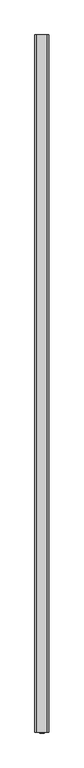
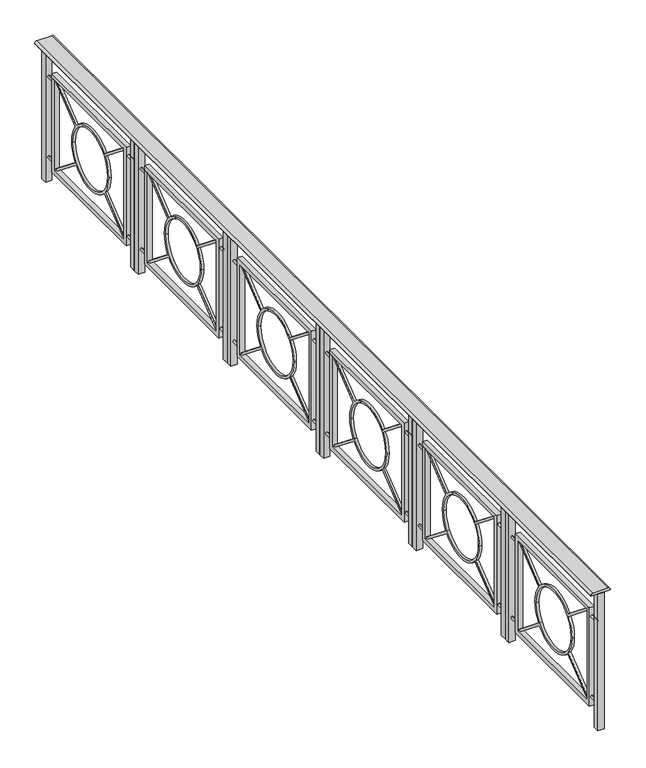
"""IFC4 building model written with IfcOpenShell, lengths in millimetres: railing geometry."""

from ifc_helpers import new_model, si_unit, point, frame, frame_2d, origin, origin_with_axes, place, context, project, spatial, polyline, circle_curve, trimmed, segment, composite_curve, outline, extrude, source, transform, mapped, element, save


def railing_e03428b7(model_context):
    return source(origin(), model_context, "Body", "SweptSolid", [
        extrude(outline(composite_curve([segment(trimmed(circle_curve(frame_2d((903.0, -8226.5763381)), 12.0), [point((915.0, -8226.5763381))], [point((903.0, -8238.5763381))], False, "CARTESIAN"), True, "CONTINUOUS"), segment(polyline([(903.0, -8238.5763381), (899.8828423, -8238.5763381), (899.8828423, -8118.5763381), (903.0, -8118.5763381)]), True, "CONTINUOUS"), segment(trimmed(circle_curve(frame_2d((903.0, -8130.5763381)), 12.0), [point((903.0, -8118.5763381))], [point((915.0, -8130.5763381))], False, "CARTESIAN"), True, "CONTINUOUS"), segment(polyline([(915.0, -8130.5763381), (915.0, -8226.5763381)]), True, "CONTINUOUS")], self_intersect=False)), frame((0.0, -25768.5136765, 0.0), z_axis=(0.0, 1.0, 0.0), x_axis=(0.0, 0.0, 1.0)), (0.0, 0.0, 1.0), 6000.0),
        extrude(outline(composite_curve([segment(trimmed(circle_curve(frame_2d((160.0, -8178.5763381)), 7.5), [point((152.5, -8178.5763381))], [point((167.5, -8178.5763381))], False, "CARTESIAN"), True, "CONTINUOUS"), segment(trimmed(circle_curve(frame_2d((160.0, -8178.5763381)), 7.5), [point((167.5, -8178.5763381))], [point((152.5, -8178.5763381))], False, "CARTESIAN"), True, "CONTINUOUS")], self_intersect=False)), frame((0.0, -19873.5136765, 0.0), z_axis=(0.0, 1.0, 0.0), x_axis=(0.0, 0.0, 1.0)), (0.0, 0.0, 1.0), 60.0),
        extrude(outline(composite_curve([segment(trimmed(circle_curve(frame_2d((160.0, -8178.5763381)), 7.5), [point((152.5, -8178.5763381))], [point((167.5, -8178.5763381))], False, "CARTESIAN"), True, "CONTINUOUS"), segment(trimmed(circle_curve(frame_2d((160.0, -8178.5763381)), 7.5), [point((167.5, -8178.5763381))], [point((152.5, -8178.5763381))], False, "CARTESIAN"), True, "CONTINUOUS")], self_intersect=False)), frame((0.0, -20733.5136765, 0.0), z_axis=(0.0, 1.0, 0.0), x_axis=(0.0, 0.0, 1.0)), (0.0, 0.0, 1.0), 60.0),
        extrude(outline(composite_curve([segment(trimmed(circle_curve(frame_2d((690.0, -8178.5763381)), 7.5), [point((697.5, -8178.5763381))], [point((682.5, -8178.5763381))], False, "CARTESIAN"), True, "CONTINUOUS"), segment(trimmed(circle_curve(frame_2d((690.0, -8178.5763381)), 7.5), [point((682.5, -8178.5763381))], [point((697.5, -8178.5763381))], False, "CARTESIAN"), True, "CONTINUOUS")], self_intersect=False)), frame((0.0, -19873.5136765, 0.0), z_axis=(0.0, 1.0, 0.0), x_axis=(0.0, 0.0, 1.0)), (0.0, 0.0, 1.0), 60.0),
        extrude(outline(composite_curve([segment(trimmed(circle_curve(frame_2d((690.0, -8178.5763381)), 7.5), [point((697.5, -8178.5763381))], [point((682.5, -8178.5763381))], False, "CARTESIAN"), True, "CONTINUOUS"), segment(trimmed(circle_curve(frame_2d((690.0, -8178.5763381)), 7.5), [point((682.5, -8178.5763381))], [point((697.5, -8178.5763381))], False, "CARTESIAN"), True, "CONTINUOUS")], self_intersect=False)), frame((0.0, -20733.5136765, 0.0), z_axis=(0.0, 1.0, 0.0), x_axis=(0.0, 0.0, 1.0)), (0.0, 0.0, 1.0), 60.0),
        extrude(outline(composite_curve([segment(trimmed(circle_curve(frame_2d((-20273.5136765, 425.0)), 200.0), [point((-20425.10786, 555.4576695))], [point((-20121.919493, 555.4576695))], False, "CARTESIAN"), True, "CONTINUOUS"), segment(polyline([(-20121.919493, 555.4576695), (-19915.5443666, 720.0), (-19903.5136765, 720.0), (-19903.5136765, 710.4079633), (-20112.5684085, 543.7291906)]), True, "CONTINUOUS"), segment(trimmed(circle_curve(frame_2d((-20273.5136765, 425.0)), 200.0), [point((-20112.5684085, 543.7291906))], [point((-20073.5136765, 425.0))], False, "CARTESIAN"), True, "CONTINUOUS"), segment(trimmed(circle_curve(frame_2d((-20273.5136765, 425.0)), 200.0), [point((-20073.5136765, 425.0))], [point((-20112.5684085, 306.2708094))], False, "CARTESIAN"), True, "CONTINUOUS"), segment(polyline([(-20112.5684085, 306.2708094), (-19903.5136765, 139.5920367), (-19903.5136765, 130.0), (-19915.5443666, 130.0), (-20121.919493, 294.5423305)]), True, "CONTINUOUS"), segment(trimmed(circle_curve(frame_2d((-20273.5136765, 425.0)), 200.0), [point((-20121.919493, 294.5423305))], [point((-20425.10786, 294.5423305))], False, "CARTESIAN"), True, "CONTINUOUS"), segment(polyline([(-20425.10786, 294.5423305), (-20631.4829865, 130.0), (-20643.5136765, 130.0), (-20643.5136765, 139.5920367), (-20434.4589446, 306.2708094)]), True, "CONTINUOUS"), segment(trimmed(circle_curve(frame_2d((-20273.5136765, 425.0)), 200.0), [point((-20434.4589446, 306.2708094))], [point((-20473.5136765, 425.0))], False, "CARTESIAN"), True, "CONTINUOUS"), segment(trimmed(circle_curve(frame_2d((-20273.5136765, 425.0)), 200.0), [point((-20473.5136765, 425.0))], [point((-20434.4589446, 543.7291906))], False, "CARTESIAN"), True, "CONTINUOUS"), segment(polyline([(-20434.4589446, 543.7291906), (-20643.5136765, 710.4079633), (-20643.5136765, 720.0), (-20631.4829865, 720.0), (-20425.10786, 555.4576695)]), True, "CONTINUOUS")], self_intersect=False), holes=[composite_curve([segment(trimmed(circle_curve(frame_2d((-20273.5136765, 425.0)), 185.0), [point((-20458.5136765, 425.0))], [point((-20088.5136765, 425.0))], True, "CARTESIAN"), True, "CONTINUOUS"), segment(trimmed(circle_curve(frame_2d((-20273.5136765, 425.0)), 185.0), [point((-20088.5136765, 425.0))], [point((-20458.5136765, 425.0))], True, "CARTESIAN"), True, "CONTINUOUS")], self_intersect=False)]), frame((-8186.0763381, 0.0, 0.0), z_axis=(1.0, 0.0, 0.0), x_axis=(0.0, 1.0, 0.0)), (0.0, 0.0, 1.0), 15.0),
        extrude(outline(polyline([(-19873.5136765, 750.0), (-19873.5136765, 100.0), (-20673.5136765, 100.0), (-20673.5136765, 750.0), (-19873.5136765, 750.0)]), holes=[polyline([(-19903.5136765, 720.0), (-20643.5136765, 720.0), (-20643.5136765, 130.0), (-19903.5136765, 130.0), (-19903.5136765, 720.0)])]), frame((-8193.5763381, 0.0, 0.0), z_axis=(1.0, 0.0, 0.0), x_axis=(0.0, 1.0, 0.0)), (0.0, 0.0, 1.0), 30.0),
        extrude(outline(polyline([(-8158.5763381, -19773.5136765), (-8158.5763381, -19813.5136765), (-8198.5763381, -19813.5136765), (-8198.5763381, -19773.5136765), (-8158.5763381, -19773.5136765)])), origin_with_axes(), (0.0, 0.0, 1.0), 900.0),
        extrude(outline(polyline([(-8158.5763381, -20733.5136765), (-8158.5763381, -20773.5136765), (-8198.5763381, -20773.5136765), (-8198.5763381, -20733.5136765), (-8158.5763381, -20733.5136765)])), origin_with_axes(), (0.0, 0.0, 1.0), 900.0),
        extrude(outline(composite_curve([segment(trimmed(circle_curve(frame_2d((160.0, -8178.5763381)), 7.5), [point((152.5, -8178.5763381))], [point((167.5, -8178.5763381))], False, "CARTESIAN"), True, "CONTINUOUS"), segment(trimmed(circle_curve(frame_2d((160.0, -8178.5763381)), 7.5), [point((167.5, -8178.5763381))], [point((152.5, -8178.5763381))], False, "CARTESIAN"), True, "CONTINUOUS")], self_intersect=False)), frame((0.0, -20873.5136765, 0.0), z_axis=(0.0, 1.0, 0.0), x_axis=(0.0, 0.0, 1.0)), (0.0, 0.0, 1.0), 60.0),
        extrude(outline(composite_curve([segment(trimmed(circle_curve(frame_2d((160.0, -8178.5763381)), 7.5), [point((152.5, -8178.5763381))], [point((167.5, -8178.5763381))], False, "CARTESIAN"), True, "CONTINUOUS"), segment(trimmed(circle_curve(frame_2d((160.0, -8178.5763381)), 7.5), [point((167.5, -8178.5763381))], [point((152.5, -8178.5763381))], False, "CARTESIAN"), True, "CONTINUOUS")], self_intersect=False)), frame((0.0, -21733.5136765, 0.0), z_axis=(0.0, 1.0, 0.0), x_axis=(0.0, 0.0, 1.0)), (0.0, 0.0, 1.0), 60.0),
        extrude(outline(composite_curve([segment(trimmed(circle_curve(frame_2d((690.0, -8178.5763381)), 7.5), [point((697.5, -8178.5763381))], [point((682.5, -8178.5763381))], False, "CARTESIAN"), True, "CONTINUOUS"), segment(trimmed(circle_curve(frame_2d((690.0, -8178.5763381)), 7.5), [point((682.5, -8178.5763381))], [point((697.5, -8178.5763381))], False, "CARTESIAN"), True, "CONTINUOUS")], self_intersect=False)), frame((0.0, -20873.5136765, 0.0), z_axis=(0.0, 1.0, 0.0), x_axis=(0.0, 0.0, 1.0)), (0.0, 0.0, 1.0), 60.0),
        extrude(outline(composite_curve([segment(trimmed(circle_curve(frame_2d((690.0, -8178.5763381)), 7.5), [point((697.5, -8178.5763381))], [point((682.5, -8178.5763381))], False, "CARTESIAN"), True, "CONTINUOUS"), segment(trimmed(circle_curve(frame_2d((690.0, -8178.5763381)), 7.5), [point((682.5, -8178.5763381))], [point((697.5, -8178.5763381))], False, "CARTESIAN"), True, "CONTINUOUS")], self_intersect=False)), frame((0.0, -21733.5136765, 0.0), z_axis=(0.0, 1.0, 0.0), x_axis=(0.0, 0.0, 1.0)), (0.0, 0.0, 1.0), 60.0),
        extrude(outline(composite_curve([segment(trimmed(circle_curve(frame_2d((-21273.5136765, 425.0)), 200.0), [point((-21425.10786, 555.4576695))], [point((-21121.919493, 555.4576695))], False, "CARTESIAN"), True, "CONTINUOUS"), segment(polyline([(-21121.919493, 555.4576695), (-20915.5443666, 720.0), (-20903.5136765, 720.0), (-20903.5136765, 710.4079633), (-21112.5684085, 543.7291906)]), True, "CONTINUOUS"), segment(trimmed(circle_curve(frame_2d((-21273.5136765, 425.0)), 200.0), [point((-21112.5684085, 543.7291906))], [point((-21073.5136765, 425.0))], False, "CARTESIAN"), True, "CONTINUOUS"), segment(trimmed(circle_curve(frame_2d((-21273.5136765, 425.0)), 200.0), [point((-21073.5136765, 425.0))], [point((-21112.5684085, 306.2708094))], False, "CARTESIAN"), True, "CONTINUOUS"), segment(polyline([(-21112.5684085, 306.2708094), (-20903.5136765, 139.5920367), (-20903.5136765, 130.0), (-20915.5443666, 130.0), (-21121.919493, 294.5423305)]), True, "CONTINUOUS"), segment(trimmed(circle_curve(frame_2d((-21273.5136765, 425.0)), 200.0), [point((-21121.919493, 294.5423305))], [point((-21425.10786, 294.5423305))], False, "CARTESIAN"), True, "CONTINUOUS"), segment(polyline([(-21425.10786, 294.5423305), (-21631.4829865, 130.0), (-21643.5136765, 130.0), (-21643.5136765, 139.5920367), (-21434.4589446, 306.2708094)]), True, "CONTINUOUS"), segment(trimmed(circle_curve(frame_2d((-21273.5136765, 425.0)), 200.0), [point((-21434.4589446, 306.2708094))], [point((-21473.5136765, 425.0))], False, "CARTESIAN"), True, "CONTINUOUS"), segment(trimmed(circle_curve(frame_2d((-21273.5136765, 425.0)), 200.0), [point((-21473.5136765, 425.0))], [point((-21434.4589446, 543.7291906))], False, "CARTESIAN"), True, "CONTINUOUS"), segment(polyline([(-21434.4589446, 543.7291906), (-21643.5136765, 710.4079633), (-21643.5136765, 720.0), (-21631.4829865, 720.0), (-21425.10786, 555.4576695)]), True, "CONTINUOUS")], self_intersect=False), holes=[composite_curve([segment(trimmed(circle_curve(frame_2d((-21273.5136765, 425.0)), 185.0), [point((-21458.5136765, 425.0))], [point((-21088.5136765, 425.0))], True, "CARTESIAN"), True, "CONTINUOUS"), segment(trimmed(circle_curve(frame_2d((-21273.5136765, 425.0)), 185.0), [point((-21088.5136765, 425.0))], [point((-21458.5136765, 425.0))], True, "CARTESIAN"), True, "CONTINUOUS")], self_intersect=False)]), frame((-8186.0763381, 0.0, 0.0), z_axis=(1.0, 0.0, 0.0), x_axis=(0.0, 1.0, 0.0)), (0.0, 0.0, 1.0), 15.0),
        extrude(outline(polyline([(-20873.5136765, 750.0), (-20873.5136765, 100.0), (-21673.5136765, 100.0), (-21673.5136765, 750.0), (-20873.5136765, 750.0)]), holes=[polyline([(-20903.5136765, 720.0), (-21643.5136765, 720.0), (-21643.5136765, 130.0), (-20903.5136765, 130.0), (-20903.5136765, 720.0)])]), frame((-8193.5763381, 0.0, 0.0), z_axis=(1.0, 0.0, 0.0), x_axis=(0.0, 1.0, 0.0)), (0.0, 0.0, 1.0), 30.0),
        extrude(outline(polyline([(-8158.5763381, -20773.5136765), (-8158.5763381, -20813.5136765), (-8198.5763381, -20813.5136765), (-8198.5763381, -20773.5136765), (-8158.5763381, -20773.5136765)])), origin_with_axes(), (0.0, 0.0, 1.0), 900.0),
        extrude(outline(polyline([(-8158.5763381, -21733.5136765), (-8158.5763381, -21773.5136765), (-8198.5763381, -21773.5136765), (-8198.5763381, -21733.5136765), (-8158.5763381, -21733.5136765)])), origin_with_axes(), (0.0, 0.0, 1.0), 900.0),
        extrude(outline(composite_curve([segment(trimmed(circle_curve(frame_2d((160.0, -8178.5763381)), 7.5), [point((152.5, -8178.5763381))], [point((167.5, -8178.5763381))], False, "CARTESIAN"), True, "CONTINUOUS"), segment(trimmed(circle_curve(frame_2d((160.0, -8178.5763381)), 7.5), [point((167.5, -8178.5763381))], [point((152.5, -8178.5763381))], False, "CARTESIAN"), True, "CONTINUOUS")], self_intersect=False)), frame((0.0, -21873.5136765, 0.0), z_axis=(0.0, 1.0, 0.0), x_axis=(0.0, 0.0, 1.0)), (0.0, 0.0, 1.0), 60.0),
        extrude(outline(composite_curve([segment(trimmed(circle_curve(frame_2d((160.0, -8178.5763381)), 7.5), [point((152.5, -8178.5763381))], [point((167.5, -8178.5763381))], False, "CARTESIAN"), True, "CONTINUOUS"), segment(trimmed(circle_curve(frame_2d((160.0, -8178.5763381)), 7.5), [point((167.5, -8178.5763381))], [point((152.5, -8178.5763381))], False, "CARTESIAN"), True, "CONTINUOUS")], self_intersect=False)), frame((0.0, -22733.5136765, 0.0), z_axis=(0.0, 1.0, 0.0), x_axis=(0.0, 0.0, 1.0)), (0.0, 0.0, 1.0), 60.0),
        extrude(outline(composite_curve([segment(trimmed(circle_curve(frame_2d((690.0, -8178.5763381)), 7.5), [point((697.5, -8178.5763381))], [point((682.5, -8178.5763381))], False, "CARTESIAN"), True, "CONTINUOUS"), segment(trimmed(circle_curve(frame_2d((690.0, -8178.5763381)), 7.5), [point((682.5, -8178.5763381))], [point((697.5, -8178.5763381))], False, "CARTESIAN"), True, "CONTINUOUS")], self_intersect=False)), frame((0.0, -21873.5136765, 0.0), z_axis=(0.0, 1.0, 0.0), x_axis=(0.0, 0.0, 1.0)), (0.0, 0.0, 1.0), 60.0),
        extrude(outline(composite_curve([segment(trimmed(circle_curve(frame_2d((690.0, -8178.5763381)), 7.5), [point((697.5, -8178.5763381))], [point((682.5, -8178.5763381))], False, "CARTESIAN"), True, "CONTINUOUS"), segment(trimmed(circle_curve(frame_2d((690.0, -8178.5763381)), 7.5), [point((682.5, -8178.5763381))], [point((697.5, -8178.5763381))], False, "CARTESIAN"), True, "CONTINUOUS")], self_intersect=False)), frame((0.0, -22733.5136765, 0.0), z_axis=(0.0, 1.0, 0.0), x_axis=(0.0, 0.0, 1.0)), (0.0, 0.0, 1.0), 60.0),
        extrude(outline(composite_curve([segment(trimmed(circle_curve(frame_2d((-22273.5136765, 425.0)), 200.0), [point((-22425.10786, 555.4576695))], [point((-22121.919493, 555.4576695))], False, "CARTESIAN"), True, "CONTINUOUS"), segment(polyline([(-22121.919493, 555.4576695), (-21915.5443666, 720.0), (-21903.5136765, 720.0), (-21903.5136765, 710.4079633), (-22112.5684085, 543.7291906)]), True, "CONTINUOUS"), segment(trimmed(circle_curve(frame_2d((-22273.5136765, 425.0)), 200.0), [point((-22112.5684085, 543.7291906))], [point((-22073.5136765, 425.0))], False, "CARTESIAN"), True, "CONTINUOUS"), segment(trimmed(circle_curve(frame_2d((-22273.5136765, 425.0)), 200.0), [point((-22073.5136765, 425.0))], [point((-22112.5684085, 306.2708094))], False, "CARTESIAN"), True, "CONTINUOUS"), segment(polyline([(-22112.5684085, 306.2708094), (-21903.5136765, 139.5920367), (-21903.5136765, 130.0), (-21915.5443666, 130.0), (-22121.919493, 294.5423305)]), True, "CONTINUOUS"), segment(trimmed(circle_curve(frame_2d((-22273.5136765, 425.0)), 200.0), [point((-22121.919493, 294.5423305))], [point((-22425.10786, 294.5423305))], False, "CARTESIAN"), True, "CONTINUOUS"), segment(polyline([(-22425.10786, 294.5423305), (-22631.4829865, 130.0), (-22643.5136765, 130.0), (-22643.5136765, 139.5920367), (-22434.4589446, 306.2708094)]), True, "CONTINUOUS"), segment(trimmed(circle_curve(frame_2d((-22273.5136765, 425.0)), 200.0), [point((-22434.4589446, 306.2708094))], [point((-22473.5136765, 425.0))], False, "CARTESIAN"), True, "CONTINUOUS"), segment(trimmed(circle_curve(frame_2d((-22273.5136765, 425.0)), 200.0), [point((-22473.5136765, 425.0))], [point((-22434.4589446, 543.7291906))], False, "CARTESIAN"), True, "CONTINUOUS"), segment(polyline([(-22434.4589446, 543.7291906), (-22643.5136765, 710.4079633), (-22643.5136765, 720.0), (-22631.4829865, 720.0), (-22425.10786, 555.4576695)]), True, "CONTINUOUS")], self_intersect=False), holes=[composite_curve([segment(trimmed(circle_curve(frame_2d((-22273.5136765, 425.0)), 185.0), [point((-22458.5136765, 425.0))], [point((-22088.5136765, 425.0))], True, "CARTESIAN"), True, "CONTINUOUS"), segment(trimmed(circle_curve(frame_2d((-22273.5136765, 425.0)), 185.0), [point((-22088.5136765, 425.0))], [point((-22458.5136765, 425.0))], True, "CARTESIAN"), True, "CONTINUOUS")], self_intersect=False)]), frame((-8186.0763381, 0.0, 0.0), z_axis=(1.0, 0.0, 0.0), x_axis=(0.0, 1.0, 0.0)), (0.0, 0.0, 1.0), 15.0),
        extrude(outline(polyline([(-21873.5136765, 750.0), (-21873.5136765, 100.0), (-22673.5136765, 100.0), (-22673.5136765, 750.0), (-21873.5136765, 750.0)]), holes=[polyline([(-21903.5136765, 720.0), (-22643.5136765, 720.0), (-22643.5136765, 130.0), (-21903.5136765, 130.0), (-21903.5136765, 720.0)])]), frame((-8193.5763381, 0.0, 0.0), z_axis=(1.0, 0.0, 0.0), x_axis=(0.0, 1.0, 0.0)), (0.0, 0.0, 1.0), 30.0),
        extrude(outline(polyline([(-8158.5763381, -21773.5136765), (-8158.5763381, -21813.5136765), (-8198.5763381, -21813.5136765), (-8198.5763381, -21773.5136765), (-8158.5763381, -21773.5136765)])), origin_with_axes(), (0.0, 0.0, 1.0), 900.0),
        extrude(outline(polyline([(-8158.5763381, -22733.5136765), (-8158.5763381, -22773.5136765), (-8198.5763381, -22773.5136765), (-8198.5763381, -22733.5136765), (-8158.5763381, -22733.5136765)])), origin_with_axes(), (0.0, 0.0, 1.0), 900.0),
        extrude(outline(composite_curve([segment(trimmed(circle_curve(frame_2d((160.0, -8178.5763381)), 7.5), [point((152.5, -8178.5763381))], [point((167.5, -8178.5763381))], False, "CARTESIAN"), True, "CONTINUOUS"), segment(trimmed(circle_curve(frame_2d((160.0, -8178.5763381)), 7.5), [point((167.5, -8178.5763381))], [point((152.5, -8178.5763381))], False, "CARTESIAN"), True, "CONTINUOUS")], self_intersect=False)), frame((0.0, -22873.5136765, 0.0), z_axis=(0.0, 1.0, 0.0), x_axis=(0.0, 0.0, 1.0)), (0.0, 0.0, 1.0), 60.0),
        extrude(outline(composite_curve([segment(trimmed(circle_curve(frame_2d((160.0, -8178.5763381)), 7.5), [point((152.5, -8178.5763381))], [point((167.5, -8178.5763381))], False, "CARTESIAN"), True, "CONTINUOUS"), segment(trimmed(circle_curve(frame_2d((160.0, -8178.5763381)), 7.5), [point((167.5, -8178.5763381))], [point((152.5, -8178.5763381))], False, "CARTESIAN"), True, "CONTINUOUS")], self_intersect=False)), frame((0.0, -23733.5136765, 0.0), z_axis=(0.0, 1.0, 0.0), x_axis=(0.0, 0.0, 1.0)), (0.0, 0.0, 1.0), 60.0),
        extrude(outline(composite_curve([segment(trimmed(circle_curve(frame_2d((690.0, -8178.5763381)), 7.5), [point((697.5, -8178.5763381))], [point((682.5, -8178.5763381))], False, "CARTESIAN"), True, "CONTINUOUS"), segment(trimmed(circle_curve(frame_2d((690.0, -8178.5763381)), 7.5), [point((682.5, -8178.5763381))], [point((697.5, -8178.5763381))], False, "CARTESIAN"), True, "CONTINUOUS")], self_intersect=False)), frame((0.0, -22873.5136765, 0.0), z_axis=(0.0, 1.0, 0.0), x_axis=(0.0, 0.0, 1.0)), (0.0, 0.0, 1.0), 60.0),
        extrude(outline(composite_curve([segment(trimmed(circle_curve(frame_2d((690.0, -8178.5763381)), 7.5), [point((697.5, -8178.5763381))], [point((682.5, -8178.5763381))], False, "CARTESIAN"), True, "CONTINUOUS"), segment(trimmed(circle_curve(frame_2d((690.0, -8178.5763381)), 7.5), [point((682.5, -8178.5763381))], [point((697.5, -8178.5763381))], False, "CARTESIAN"), True, "CONTINUOUS")], self_intersect=False)), frame((0.0, -23733.5136765, 0.0), z_axis=(0.0, 1.0, 0.0), x_axis=(0.0, 0.0, 1.0)), (0.0, 0.0, 1.0), 60.0),
        extrude(outline(composite_curve([segment(trimmed(circle_curve(frame_2d((-23273.5136765, 425.0)), 200.0), [point((-23425.10786, 555.4576695))], [point((-23121.919493, 555.4576695))], False, "CARTESIAN"), True, "CONTINUOUS"), segment(polyline([(-23121.919493, 555.4576695), (-22915.5443666, 720.0), (-22903.5136765, 720.0), (-22903.5136765, 710.4079633), (-23112.5684085, 543.7291906)]), True, "CONTINUOUS"), segment(trimmed(circle_curve(frame_2d((-23273.5136765, 425.0)), 200.0), [point((-23112.5684085, 543.7291906))], [point((-23073.5136765, 425.0))], False, "CARTESIAN"), True, "CONTINUOUS"), segment(trimmed(circle_curve(frame_2d((-23273.5136765, 425.0)), 200.0), [point((-23073.5136765, 425.0))], [point((-23112.5684085, 306.2708094))], False, "CARTESIAN"), True, "CONTINUOUS"), segment(polyline([(-23112.5684085, 306.2708094), (-22903.5136765, 139.5920367), (-22903.5136765, 130.0), (-22915.5443666, 130.0), (-23121.919493, 294.5423305)]), True, "CONTINUOUS"), segment(trimmed(circle_curve(frame_2d((-23273.5136765, 425.0)), 200.0), [point((-23121.919493, 294.5423305))], [point((-23425.10786, 294.5423305))], False, "CARTESIAN"), True, "CONTINUOUS"), segment(polyline([(-23425.10786, 294.5423305), (-23631.4829865, 130.0), (-23643.5136765, 130.0), (-23643.5136765, 139.5920367), (-23434.4589446, 306.2708094)]), True, "CONTINUOUS"), segment(trimmed(circle_curve(frame_2d((-23273.5136765, 425.0)), 200.0), [point((-23434.4589446, 306.2708094))], [point((-23473.5136765, 425.0))], False, "CARTESIAN"), True, "CONTINUOUS"), segment(trimmed(circle_curve(frame_2d((-23273.5136765, 425.0)), 200.0), [point((-23473.5136765, 425.0))], [point((-23434.4589446, 543.7291906))], False, "CARTESIAN"), True, "CONTINUOUS"), segment(polyline([(-23434.4589446, 543.7291906), (-23643.5136765, 710.4079633), (-23643.5136765, 720.0), (-23631.4829865, 720.0), (-23425.10786, 555.4576695)]), True, "CONTINUOUS")], self_intersect=False), holes=[composite_curve([segment(trimmed(circle_curve(frame_2d((-23273.5136765, 425.0)), 185.0), [point((-23458.5136765, 425.0))], [point((-23088.5136765, 425.0))], True, "CARTESIAN"), True, "CONTINUOUS"), segment(trimmed(circle_curve(frame_2d((-23273.5136765, 425.0)), 185.0), [point((-23088.5136765, 425.0))], [point((-23458.5136765, 425.0))], True, "CARTESIAN"), True, "CONTINUOUS")], self_intersect=False)]), frame((-8186.0763381, 0.0, 0.0), z_axis=(1.0, 0.0, 0.0), x_axis=(0.0, 1.0, 0.0)), (0.0, 0.0, 1.0), 15.0),
        extrude(outline(polyline([(-22873.5136765, 750.0), (-22873.5136765, 100.0), (-23673.5136765, 100.0), (-23673.5136765, 750.0), (-22873.5136765, 750.0)]), holes=[polyline([(-22903.5136765, 720.0), (-23643.5136765, 720.0), (-23643.5136765, 130.0), (-22903.5136765, 130.0), (-22903.5136765, 720.0)])]), frame((-8193.5763381, 0.0, 0.0), z_axis=(1.0, 0.0, 0.0), x_axis=(0.0, 1.0, 0.0)), (0.0, 0.0, 1.0), 30.0),
        extrude(outline(polyline([(-8158.5763381, -22773.5136765), (-8158.5763381, -22813.5136765), (-8198.5763381, -22813.5136765), (-8198.5763381, -22773.5136765), (-8158.5763381, -22773.5136765)])), origin_with_axes(), (0.0, 0.0, 1.0), 900.0),
        extrude(outline(polyline([(-8158.5763381, -23733.5136765), (-8158.5763381, -23773.5136765), (-8198.5763381, -23773.5136765), (-8198.5763381, -23733.5136765), (-8158.5763381, -23733.5136765)])), origin_with_axes(), (0.0, 0.0, 1.0), 900.0),
        extrude(outline(composite_curve([segment(trimmed(circle_curve(frame_2d((160.0, -8178.5763381)), 7.5), [point((152.5, -8178.5763381))], [point((167.5, -8178.5763381))], False, "CARTESIAN"), True, "CONTINUOUS"), segment(trimmed(circle_curve(frame_2d((160.0, -8178.5763381)), 7.5), [point((167.5, -8178.5763381))], [point((152.5, -8178.5763381))], False, "CARTESIAN"), True, "CONTINUOUS")], self_intersect=False)), frame((0.0, -23873.5136765, 0.0), z_axis=(0.0, 1.0, 0.0), x_axis=(0.0, 0.0, 1.0)), (0.0, 0.0, 1.0), 60.0),
        extrude(outline(composite_curve([segment(trimmed(circle_curve(frame_2d((160.0, -8178.5763381)), 7.5), [point((152.5, -8178.5763381))], [point((167.5, -8178.5763381))], False, "CARTESIAN"), True, "CONTINUOUS"), segment(trimmed(circle_curve(frame_2d((160.0, -8178.5763381)), 7.5), [point((167.5, -8178.5763381))], [point((152.5, -8178.5763381))], False, "CARTESIAN"), True, "CONTINUOUS")], self_intersect=False)), frame((0.0, -24733.5136765, 0.0), z_axis=(0.0, 1.0, 0.0), x_axis=(0.0, 0.0, 1.0)), (0.0, 0.0, 1.0), 60.0),
        extrude(outline(composite_curve([segment(trimmed(circle_curve(frame_2d((690.0, -8178.5763381)), 7.5), [point((697.5, -8178.5763381))], [point((682.5, -8178.5763381))], False, "CARTESIAN"), True, "CONTINUOUS"), segment(trimmed(circle_curve(frame_2d((690.0, -8178.5763381)), 7.5), [point((682.5, -8178.5763381))], [point((697.5, -8178.5763381))], False, "CARTESIAN"), True, "CONTINUOUS")], self_intersect=False)), frame((0.0, -23873.5136765, 0.0), z_axis=(0.0, 1.0, 0.0), x_axis=(0.0, 0.0, 1.0)), (0.0, 0.0, 1.0), 60.0),
        extrude(outline(composite_curve([segment(trimmed(circle_curve(frame_2d((690.0, -8178.5763381)), 7.5), [point((697.5, -8178.5763381))], [point((682.5, -8178.5763381))], False, "CARTESIAN"), True, "CONTINUOUS"), segment(trimmed(circle_curve(frame_2d((690.0, -8178.5763381)), 7.5), [point((682.5, -8178.5763381))], [point((697.5, -8178.5763381))], False, "CARTESIAN"), True, "CONTINUOUS")], self_intersect=False)), frame((0.0, -24733.5136765, 0.0), z_axis=(0.0, 1.0, 0.0), x_axis=(0.0, 0.0, 1.0)), (0.0, 0.0, 1.0), 60.0),
        extrude(outline(composite_curve([segment(trimmed(circle_curve(frame_2d((-24273.5136765, 425.0)), 200.0), [point((-24425.10786, 555.4576695))], [point((-24121.919493, 555.4576695))], False, "CARTESIAN"), True, "CONTINUOUS"), segment(polyline([(-24121.919493, 555.4576695), (-23915.5443666, 720.0), (-23903.5136765, 720.0), (-23903.5136765, 710.4079633), (-24112.5684085, 543.7291906)]), True, "CONTINUOUS"), segment(trimmed(circle_curve(frame_2d((-24273.5136765, 425.0)), 200.0), [point((-24112.5684085, 543.7291906))], [point((-24073.5136765, 425.0))], False, "CARTESIAN"), True, "CONTINUOUS"), segment(trimmed(circle_curve(frame_2d((-24273.5136765, 425.0)), 200.0), [point((-24073.5136765, 425.0))], [point((-24112.5684085, 306.2708094))], False, "CARTESIAN"), True, "CONTINUOUS"), segment(polyline([(-24112.5684085, 306.2708094), (-23903.5136765, 139.5920367), (-23903.5136765, 130.0), (-23915.5443666, 130.0), (-24121.919493, 294.5423305)]), True, "CONTINUOUS"), segment(trimmed(circle_curve(frame_2d((-24273.5136765, 425.0)), 200.0), [point((-24121.919493, 294.5423305))], [point((-24425.10786, 294.5423305))], False, "CARTESIAN"), True, "CONTINUOUS"), segment(polyline([(-24425.10786, 294.5423305), (-24631.4829865, 130.0), (-24643.5136765, 130.0), (-24643.5136765, 139.5920367), (-24434.4589446, 306.2708094)]), True, "CONTINUOUS"), segment(trimmed(circle_curve(frame_2d((-24273.5136765, 425.0)), 200.0), [point((-24434.4589446, 306.2708094))], [point((-24473.5136765, 425.0))], False, "CARTESIAN"), True, "CONTINUOUS"), segment(trimmed(circle_curve(frame_2d((-24273.5136765, 425.0)), 200.0), [point((-24473.5136765, 425.0))], [point((-24434.4589446, 543.7291906))], False, "CARTESIAN"), True, "CONTINUOUS"), segment(polyline([(-24434.4589446, 543.7291906), (-24643.5136765, 710.4079633), (-24643.5136765, 720.0), (-24631.4829865, 720.0), (-24425.10786, 555.4576695)]), True, "CONTINUOUS")], self_intersect=False), holes=[composite_curve([segment(trimmed(circle_curve(frame_2d((-24273.5136765, 425.0)), 185.0), [point((-24458.5136765, 425.0))], [point((-24088.5136765, 425.0))], True, "CARTESIAN"), True, "CONTINUOUS"), segment(trimmed(circle_curve(frame_2d((-24273.5136765, 425.0)), 185.0), [point((-24088.5136765, 425.0))], [point((-24458.5136765, 425.0))], True, "CARTESIAN"), True, "CONTINUOUS")], self_intersect=False)]), frame((-8186.0763381, 0.0, 0.0), z_axis=(1.0, 0.0, 0.0), x_axis=(0.0, 1.0, 0.0)), (0.0, 0.0, 1.0), 15.0),
        extrude(outline(polyline([(-23873.5136765, 750.0), (-23873.5136765, 100.0), (-24673.5136765, 100.0), (-24673.5136765, 750.0), (-23873.5136765, 750.0)]), holes=[polyline([(-23903.5136765, 720.0), (-24643.5136765, 720.0), (-24643.5136765, 130.0), (-23903.5136765, 130.0), (-23903.5136765, 720.0)])]), frame((-8193.5763381, 0.0, 0.0), z_axis=(1.0, 0.0, 0.0), x_axis=(0.0, 1.0, 0.0)), (0.0, 0.0, 1.0), 30.0),
        extrude(outline(polyline([(-8158.5763381, -23773.5136765), (-8158.5763381, -23813.5136765), (-8198.5763381, -23813.5136765), (-8198.5763381, -23773.5136765), (-8158.5763381, -23773.5136765)])), origin_with_axes(), (0.0, 0.0, 1.0), 900.0),
        extrude(outline(polyline([(-8158.5763381, -24733.5136765), (-8158.5763381, -24773.5136765), (-8198.5763381, -24773.5136765), (-8198.5763381, -24733.5136765), (-8158.5763381, -24733.5136765)])), origin_with_axes(), (0.0, 0.0, 1.0), 900.0),
        extrude(outline(composite_curve([segment(trimmed(circle_curve(frame_2d((160.0, -8178.5763381)), 7.5), [point((152.5, -8178.5763381))], [point((167.5, -8178.5763381))], False, "CARTESIAN"), True, "CONTINUOUS"), segment(trimmed(circle_curve(frame_2d((160.0, -8178.5763381)), 7.5), [point((167.5, -8178.5763381))], [point((152.5, -8178.5763381))], False, "CARTESIAN"), True, "CONTINUOUS")], self_intersect=False)), frame((0.0, -24873.5136765, 0.0), z_axis=(0.0, 1.0, 0.0), x_axis=(0.0, 0.0, 1.0)), (0.0, 0.0, 1.0), 60.0),
        extrude(outline(composite_curve([segment(trimmed(circle_curve(frame_2d((160.0, -8178.5763381)), 7.5), [point((152.5, -8178.5763381))], [point((167.5, -8178.5763381))], False, "CARTESIAN"), True, "CONTINUOUS"), segment(trimmed(circle_curve(frame_2d((160.0, -8178.5763381)), 7.5), [point((167.5, -8178.5763381))], [point((152.5, -8178.5763381))], False, "CARTESIAN"), True, "CONTINUOUS")], self_intersect=False)), frame((0.0, -25733.5136765, 0.0), z_axis=(0.0, 1.0, 0.0), x_axis=(0.0, 0.0, 1.0)), (0.0, 0.0, 1.0), 60.0),
        extrude(outline(composite_curve([segment(trimmed(circle_curve(frame_2d((690.0, -8178.5763381)), 7.5), [point((697.5, -8178.5763381))], [point((682.5, -8178.5763381))], False, "CARTESIAN"), True, "CONTINUOUS"), segment(trimmed(circle_curve(frame_2d((690.0, -8178.5763381)), 7.5), [point((682.5, -8178.5763381))], [point((697.5, -8178.5763381))], False, "CARTESIAN"), True, "CONTINUOUS")], self_intersect=False)), frame((0.0, -24873.5136765, 0.0), z_axis=(0.0, 1.0, 0.0), x_axis=(0.0, 0.0, 1.0)), (0.0, 0.0, 1.0), 60.0),
        extrude(outline(composite_curve([segment(trimmed(circle_curve(frame_2d((690.0, -8178.5763381)), 7.5), [point((697.5, -8178.5763381))], [point((682.5, -8178.5763381))], False, "CARTESIAN"), True, "CONTINUOUS"), segment(trimmed(circle_curve(frame_2d((690.0, -8178.5763381)), 7.5), [point((682.5, -8178.5763381))], [point((697.5, -8178.5763381))], False, "CARTESIAN"), True, "CONTINUOUS")], self_intersect=False)), frame((0.0, -25733.5136765, 0.0), z_axis=(0.0, 1.0, 0.0), x_axis=(0.0, 0.0, 1.0)), (0.0, 0.0, 1.0), 60.0),
        extrude(outline(composite_curve([segment(trimmed(circle_curve(frame_2d((-25273.5136765, 425.0)), 200.0), [point((-25425.10786, 555.4576695))], [point((-25121.919493, 555.4576695))], False, "CARTESIAN"), True, "CONTINUOUS"), segment(polyline([(-25121.919493, 555.4576695), (-24915.5443666, 720.0), (-24903.5136765, 720.0), (-24903.5136765, 710.4079633), (-25112.5684085, 543.7291906)]), True, "CONTINUOUS"), segment(trimmed(circle_curve(frame_2d((-25273.5136765, 425.0)), 200.0), [point((-25112.5684085, 543.7291906))], [point((-25073.5136765, 425.0))], False, "CARTESIAN"), True, "CONTINUOUS"), segment(trimmed(circle_curve(frame_2d((-25273.5136765, 425.0)), 200.0), [point((-25073.5136765, 425.0))], [point((-25112.5684085, 306.2708094))], False, "CARTESIAN"), True, "CONTINUOUS"), segment(polyline([(-25112.5684085, 306.2708094), (-24903.5136765, 139.5920367), (-24903.5136765, 130.0), (-24915.5443666, 130.0), (-25121.919493, 294.5423305)]), True, "CONTINUOUS"), segment(trimmed(circle_curve(frame_2d((-25273.5136765, 425.0)), 200.0), [point((-25121.919493, 294.5423305))], [point((-25425.10786, 294.5423305))], False, "CARTESIAN"), True, "CONTINUOUS"), segment(polyline([(-25425.10786, 294.5423305), (-25631.4829865, 130.0), (-25643.5136765, 130.0), (-25643.5136765, 139.5920367), (-25434.4589446, 306.2708094)]), True, "CONTINUOUS"), segment(trimmed(circle_curve(frame_2d((-25273.5136765, 425.0)), 200.0), [point((-25434.4589446, 306.2708094))], [point((-25473.5136765, 425.0))], False, "CARTESIAN"), True, "CONTINUOUS"), segment(trimmed(circle_curve(frame_2d((-25273.5136765, 425.0)), 200.0), [point((-25473.5136765, 425.0))], [point((-25434.4589446, 543.7291906))], False, "CARTESIAN"), True, "CONTINUOUS"), segment(polyline([(-25434.4589446, 543.7291906), (-25643.5136765, 710.4079633), (-25643.5136765, 720.0), (-25631.4829865, 720.0), (-25425.10786, 555.4576695)]), True, "CONTINUOUS")], self_intersect=False), holes=[composite_curve([segment(trimmed(circle_curve(frame_2d((-25273.5136765, 425.0)), 185.0), [point((-25458.5136765, 425.0))], [point((-25088.5136765, 425.0))], True, "CARTESIAN"), True, "CONTINUOUS"), segment(trimmed(circle_curve(frame_2d((-25273.5136765, 425.0)), 185.0), [point((-25088.5136765, 425.0))], [point((-25458.5136765, 425.0))], True, "CARTESIAN"), True, "CONTINUOUS")], self_intersect=False)]), frame((-8186.0763381, 0.0, 0.0), z_axis=(1.0, 0.0, 0.0), x_axis=(0.0, 1.0, 0.0)), (0.0, 0.0, 1.0), 15.0),
        extrude(outline(polyline([(-24873.5136765, 750.0), (-24873.5136765, 100.0), (-25673.5136765, 100.0), (-25673.5136765, 750.0), (-24873.5136765, 750.0)]), holes=[polyline([(-24903.5136765, 720.0), (-25643.5136765, 720.0), (-25643.5136765, 130.0), (-24903.5136765, 130.0), (-24903.5136765, 720.0)])]), frame((-8193.5763381, 0.0, 0.0), z_axis=(1.0, 0.0, 0.0), x_axis=(0.0, 1.0, 0.0)), (0.0, 0.0, 1.0), 30.0),
        extrude(outline(polyline([(-8158.5763381, -24773.5136765), (-8158.5763381, -24813.5136765), (-8198.5763381, -24813.5136765), (-8198.5763381, -24773.5136765), (-8158.5763381, -24773.5136765)])), origin_with_axes(), (0.0, 0.0, 1.0), 900.0),
        extrude(outline(polyline([(-8158.5763381, -25733.5136765), (-8158.5763381, -25773.5136765), (-8198.5763381, -25773.5136765), (-8198.5763381, -25733.5136765), (-8158.5763381, -25733.5136765)])), origin_with_axes(), (0.0, 0.0, 1.0), 900.0),
    ])


if __name__ == "__main__":
    model = new_model("IFC4")
    model_context = context("Model", 3, world=origin())
    ifc_project = project(units=[si_unit("LENGTHUNIT", "METRE", prefix="MILLI")], contexts=[model_context])
    site = spatial("IfcSite", under=ifc_project)
    building = spatial("IfcBuilding", under=site)
    placement = place(None, origin())
    railing_shape = railing_e03428b7(model_context)
    element("IfcRailing", 1, at=placement, inside=building, context=model_context, shape_type="MappedRepresentation", body=[
        mapped(railing_shape, transform((0.0, 0.0, 0.0), x_axis=(1.0, 0.0, 0.0), y_axis=(0.0, 1.0, 0.0), z_axis=(0.0, 0.0, 1.0))),
    ])
    save(model, "model.ifc")
